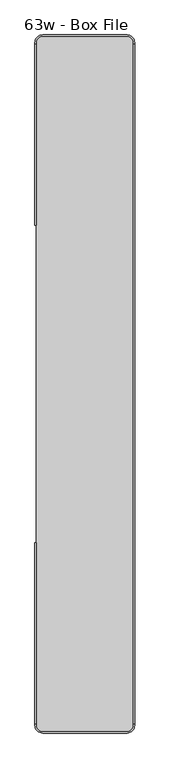
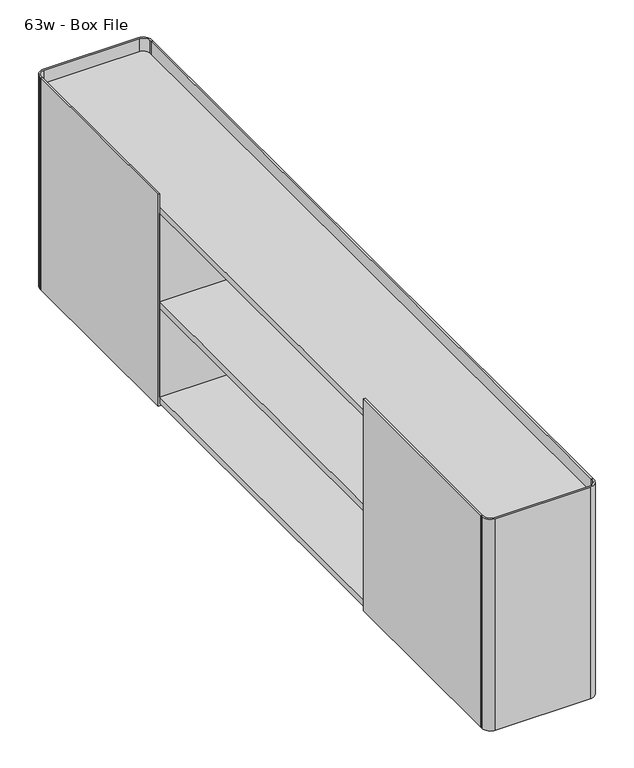
"""IFC4 building model written with IfcOpenShell, lengths in millimetres: furniture geometry, 63w - Box File."""

from ifc_helpers import new_model, si_unit, point, frame, frame_2d, origin, place, context, project, spatial, polyline, circle_curve, trimmed, segment, composite_curve, outline, extrude, source, transform, mapped, element, save


def furniture_63w_box_file_0c14caad(model_context):
    return source(origin(), model_context, "Body", "SweptSolid", [
        extrude(outline(composite_curve([segment(trimmed(circle_curve(frame_2d((96.8375, 950.924692)), 17.4625), [point((96.8375, 968.387192))], [point((114.3, 950.924692))], False, "CARTESIAN"), True, "CONTINUOUS"), segment(polyline([(114.3, 950.924692), (114.3, 947.749692), (111.125, 947.749692), (111.125, 950.924692)]), True, "CONTINUOUS"), segment(trimmed(circle_curve(frame_2d((96.8375, 950.924692)), 14.2875), [point((111.125, 950.924692))], [point((96.8375, 965.212192))], True, "CARTESIAN"), True, "CONTINUOUS"), segment(polyline([(96.8375, 965.212192), (-96.8375, 965.212192)]), True, "CONTINUOUS"), segment(trimmed(circle_curve(frame_2d((-96.8375, 950.924692)), 14.2875), [point((-96.8375, 965.212192))], [point((-111.125, 950.924692))], True, "CARTESIAN"), True, "CONTINUOUS"), segment(polyline([(-111.125, 950.924692), (-111.125, 947.749692), (-114.3, 947.749692), (-114.3, 950.924692)]), True, "CONTINUOUS"), segment(trimmed(circle_curve(frame_2d((-96.8375, 950.924692)), 17.4625), [point((-114.3, 950.924692))], [point((-96.8375, 968.387192))], False, "CARTESIAN"), True, "CONTINUOUS"), segment(polyline([(-96.8375, 968.387192), (96.8375, 968.387192)]), True, "CONTINUOUS")], self_intersect=False)), frame((0.0, 0.0, 279.4), z_axis=(0.0, 0.0, 1.0), x_axis=(1.0, 0.0, 0.0)), (0.0, 0.0, 1.0), 457.2),
        extrude(outline(composite_curve([segment(polyline([(96.8375, -631.812808), (-96.8375, -631.812808)]), True, "CONTINUOUS"), segment(trimmed(circle_curve(frame_2d((-96.8375, -614.350308)), 17.4625), [point((-96.8375, -631.812808))], [point((-114.3, -614.350308))], False, "CARTESIAN"), True, "CONTINUOUS"), segment(polyline([(-114.3, -614.350308), (-114.3, -611.175308), (-111.125, -611.175308), (-111.125, -614.350308)]), True, "CONTINUOUS"), segment(trimmed(circle_curve(frame_2d((-96.8375, -614.350308)), 14.2875), [point((-111.125, -614.350308))], [point((-96.8375, -628.637808))], True, "CARTESIAN"), True, "CONTINUOUS"), segment(polyline([(-96.8375, -628.637808), (96.8375, -628.637808)]), True, "CONTINUOUS"), segment(trimmed(circle_curve(frame_2d((96.8375, -614.350308)), 14.2875), [point((96.8375, -628.637808))], [point((111.125, -614.350308))], True, "CARTESIAN"), True, "CONTINUOUS"), segment(polyline([(111.125, -614.350308), (111.125, -611.175308), (114.3, -611.175308), (114.3, -614.350308)]), True, "CONTINUOUS"), segment(trimmed(circle_curve(frame_2d((96.8375, -614.350308)), 17.4625), [point((114.3, -614.350308))], [point((96.8375, -631.812808))], False, "CARTESIAN"), True, "CONTINUOUS")], self_intersect=False)), frame((0.0, 0.0, 279.4), z_axis=(0.0, 0.0, 1.0), x_axis=(1.0, 0.0, 0.0)), (0.0, 0.0, 1.0), 457.2),
        extrude(outline(polyline([(533.412192, 695.2773648), (533.412192, 299.640625), (555.6370951, 299.640625), (555.6370951, 298.053125), (532.1930077, 298.053125), (532.1930077, 695.2773648), (533.412192, 695.2773648)])), frame((-111.125, 0.0, 0.0), z_axis=(1.0, 0.0, 0.0), x_axis=(0.0, 1.0, 0.0)), (0.0, 0.0, 1.0), 222.25),
        extrude(outline(polyline([(-196.837808, 695.2773648), (-195.6186237, 695.2773648), (-195.6186237, 298.053125), (-219.0627111, 298.053125), (-219.0627111, 299.640625), (-196.837808, 299.640625), (-196.837808, 695.2773648)])), frame((-111.125, 0.0, 0.0), z_axis=(1.0, 0.0, 0.0), x_axis=(0.0, 1.0, 0.0)), (0.0, 0.0, 1.0), 222.25),
        extrude(outline(polyline([(279.4, -114.3), (279.4, -88.8999992), (284.1625, -88.8999992), (284.1625, -111.125), (736.6, -111.125), (736.6, -114.3), (279.4, -114.3)])), frame((0.0, 532.1930077, 0.0), z_axis=(0.0, 1.0, 0.0), x_axis=(0.0, 0.0, 1.0)), (0.0, 0.0, 1.0), 415.5566843),
        extrude(outline(polyline([(279.4, -114.3), (279.4, -88.8999992), (284.1625, -88.8999992), (284.1625, -111.125), (736.6, -111.125), (736.6, -114.3), (279.4, -114.3)])), frame((0.0, -611.175308, 0.0), z_axis=(0.0, 1.0, 0.0), x_axis=(0.0, 0.0, 1.0)), (0.0, 0.0, 1.0), 415.5566843),
        extrude(outline(polyline([(279.4, 114.3), (736.6, 114.3), (736.6, 111.125), (284.1625, 111.125), (284.1625, 88.8999992), (279.4, 88.8999992), (279.4, 114.3)])), frame((0.0, -611.175308, 0.0), z_axis=(0.0, 1.0, 0.0), x_axis=(0.0, 0.0, 1.0)), (0.0, 0.0, 1.0), 1558.925),
        extrude(outline(polyline([(-111.125, -195.6186237), (-111.125, 532.1930077), (111.125, 532.1930077), (111.125, -195.6186237), (-111.125, -195.6186237)])), frame((0.0, 0.0, 490.0929898), z_axis=(0.0, 0.0, 1.0), x_axis=(1.0, 0.0, 0.0)), (0.0, 0.0, 1.0), 13.890625),
        extrude(outline(composite_curve([segment(polyline([(96.8375, -628.637808), (-96.8375, -628.637808)]), True, "CONTINUOUS"), segment(trimmed(circle_curve(frame_2d((-96.8375, -614.350308)), 14.2875), [point((-96.8375, -628.637808))], [point((-111.125, -614.350308))], False, "CARTESIAN"), True, "CONTINUOUS"), segment(polyline([(-111.125, -614.350308), (-111.125, 950.924692)]), True, "CONTINUOUS"), segment(trimmed(circle_curve(frame_2d((-96.8375, 950.924692)), 14.2875), [point((-111.125, 950.924692))], [point((-96.8375, 965.212192))], False, "CARTESIAN"), True, "CONTINUOUS"), segment(polyline([(-96.8375, 965.212192), (96.04375, 965.212192)]), True, "CONTINUOUS"), segment(trimmed(circle_curve(frame_2d((96.04375, 950.130942)), 15.08125), [point((96.04375, 965.212192))], [point((111.125, 950.130942))], False, "CARTESIAN"), True, "CONTINUOUS"), segment(polyline([(111.125, 950.130942), (111.125, -614.350308)]), True, "CONTINUOUS"), segment(trimmed(circle_curve(frame_2d((96.8375, -614.350308)), 14.2875), [point((111.125, -614.350308))], [point((96.8375, -628.637808))], False, "CARTESIAN"), True, "CONTINUOUS")], self_intersect=False)), frame((0.0, 0.0, 695.2773648), z_axis=(0.0, 0.0, 1.0), x_axis=(1.0, 0.0, 0.0)), (0.0, 0.0, 1.0), 13.49375),
        extrude(outline(composite_curve([segment(polyline([(96.8375, -628.637808), (-96.8375, -628.637808)]), True, "CONTINUOUS"), segment(trimmed(circle_curve(frame_2d((-96.8375, -614.350308)), 14.2875), [point((-96.8375, -628.637808))], [point((-111.125, -614.350308))], False, "CARTESIAN"), True, "CONTINUOUS"), segment(polyline([(-111.125, -614.350308), (-111.125, 950.924692)]), True, "CONTINUOUS"), segment(trimmed(circle_curve(frame_2d((-96.8375, 950.924692)), 14.2875), [point((-111.125, 950.924692))], [point((-96.8375, 965.212192))], False, "CARTESIAN"), True, "CONTINUOUS"), segment(polyline([(-96.8375, 965.212192), (96.04375, 965.212192)]), True, "CONTINUOUS"), segment(trimmed(circle_curve(frame_2d((96.04375, 950.130942)), 15.08125), [point((96.04375, 965.212192))], [point((111.125, 950.130942))], False, "CARTESIAN"), True, "CONTINUOUS"), segment(polyline([(111.125, 950.130942), (111.125, -614.350308)]), True, "CONTINUOUS"), segment(trimmed(circle_curve(frame_2d((96.8375, -614.350308)), 14.2875), [point((111.125, -614.350308))], [point((96.8375, -628.637808))], False, "CARTESIAN"), True, "CONTINUOUS")], self_intersect=False)), frame((0.0, 0.0, 284.1625), z_axis=(0.0, 0.0, 1.0), x_axis=(1.0, 0.0, 0.0)), (0.0, 0.0, 1.0), 13.890625),
    ])


if __name__ == "__main__":
    model = new_model("IFC4")
    model_context = context("Model", 3, world=origin())
    ifc_project = project(units=[si_unit("LENGTHUNIT", "METRE", prefix="MILLI")], contexts=[model_context])
    site = spatial("IfcSite", under=ifc_project)
    building = spatial("IfcBuilding", under=site)
    placement = place(None, origin())
    furniture_63w_box_file_shape = furniture_63w_box_file_0c14caad(model_context)
    element("IfcFurniture", 1, ObjectType="63w - Box File", at=placement, inside=building, context=model_context, shape_type="MappedRepresentation", body=[
        mapped(furniture_63w_box_file_shape, transform((0.0, 0.0, 0.0), x_axis=(1.0, 0.0, 0.0), y_axis=(0.0, 1.0, 0.0), z_axis=(0.0, 0.0, 1.0))),
    ])
    save(model, "model.ifc")
